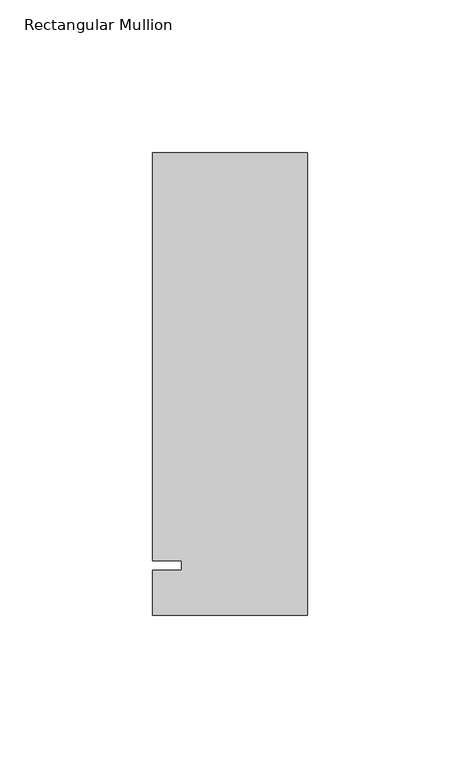
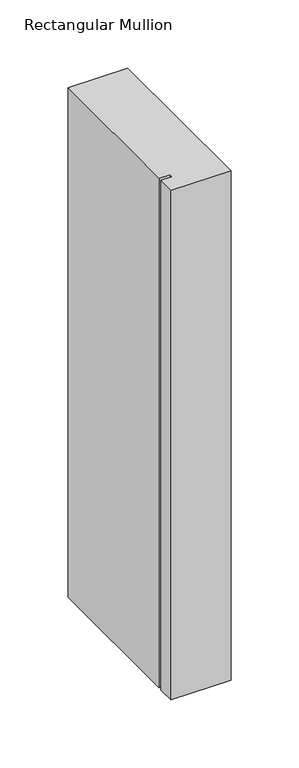
"""IFC4 building model written with IfcOpenShell, lengths in millimetres: member geometry, Rectangular Mullion."""

from ifc_helpers import new_model, si_unit, frame, origin, place, context, project, spatial, polyline, outline, extrude, source, transform, mapped, element, save


def rectangular_mullion_439ff1d4(model_context):
    return source(origin(), model_context, "Body", "SweptSolid", [
        extrude(outline(polyline([(-50.8, -25.7961253), (-50.8, -11.1125), (-41.275, -11.1125), (-41.275, -7.9375), (-50.8, -7.9375), (-50.8, 125.8036906), (0.0, 125.8036906), (0.0, -25.7961253), (-50.8, -25.7961253)])), frame((0.0, 0.0, -457.2), z_axis=(0.0, 0.0, 1.0), x_axis=(1.0, 0.0, 0.0)), (0.0, 0.0, 1.0), 457.2),
    ])


if __name__ == "__main__":
    model = new_model("IFC4")
    model_context = context("Model", 3, world=origin())
    ifc_project = project(units=[si_unit("LENGTHUNIT", "METRE", prefix="MILLI")], contexts=[model_context])
    site = spatial("IfcSite", under=ifc_project)
    building = spatial("IfcBuilding", under=site)
    placement = place(None, origin())
    rectangular_mullion_shape = rectangular_mullion_439ff1d4(model_context)
    element("IfcMember", 1, ObjectType="Rectangular Mullion", at=placement, inside=building, context=model_context, shape_type="MappedRepresentation", body=[
        mapped(rectangular_mullion_shape, transform((0.0, 0.0, 0.0), x_axis=(1.0, 0.0, 0.0), y_axis=(0.0, 1.0, 0.0), z_axis=(0.0, 0.0, 1.0))),
    ])
    save(model, "model.ifc")
